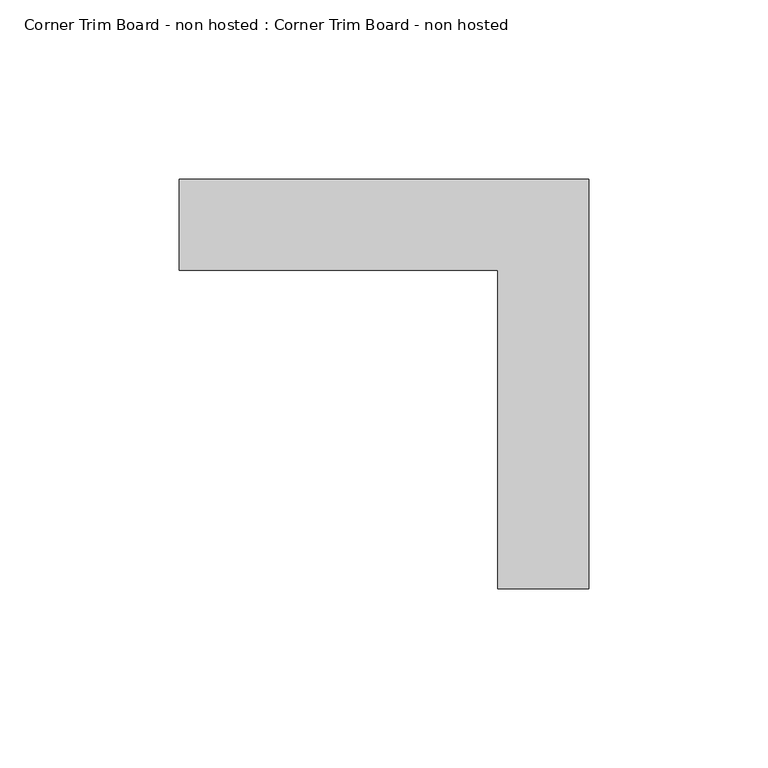
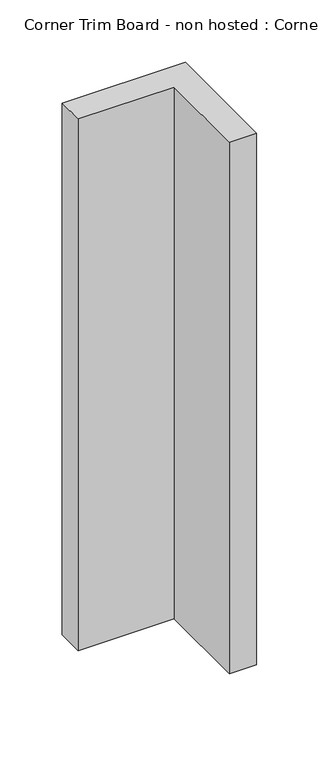
"""IFC4 building model written with IfcOpenShell, lengths in millimetres: proxy geometry, Corner Trim Board - non hosted : Corner Trim Board - non hosted."""

from ifc_helpers import new_model, si_unit, origin, origin_with_axes, place, context, project, spatial, polyline, outline, extrude, source, transform, mapped, element, save


def corner_trim_board_non_hosted_corner_trim_board_non_hosted_5f67435e(model_context):
    return source(origin(), model_context, "Body", "SweptSolid", [
        extrude(outline(polyline([(-84.6056616, 25.4), (29.6943384, 25.4), (29.6943384, -88.9), (4.2943384, -88.9), (4.2943384, 0.0), (-84.6056616, 0.0), (-84.6056616, 25.4)])), origin_with_axes(), (0.0, 0.0, 1.0), 520.7),
    ])


if __name__ == "__main__":
    model = new_model("IFC4")
    model_context = context("Model", 3, world=origin())
    ifc_project = project(units=[si_unit("LENGTHUNIT", "METRE", prefix="MILLI")], contexts=[model_context])
    site = spatial("IfcSite", under=ifc_project)
    building = spatial("IfcBuilding", under=site)
    placement = place(None, origin())
    corner_trim_board_non_hosted_corner_trim_board_non_hosted_shape = corner_trim_board_non_hosted_corner_trim_board_non_hosted_5f67435e(model_context)
    element("IfcBuildingElementProxy", 1, Name="Corner Trim Board - non hosted : Corner Trim Board - non hosted", ObjectType="Corner Trim Board - non hosted : Corner Trim Board - non hosted", at=placement, inside=building, context=model_context, shape_type="MappedRepresentation", body=[
        mapped(corner_trim_board_non_hosted_corner_trim_board_non_hosted_shape, transform((0.0, 0.0, 0.0), x_axis=(1.0, 0.0, 0.0), y_axis=(0.0, 1.0, 0.0), z_axis=(0.0, 0.0, 1.0))),
    ])
    save(model, "model.ifc")
